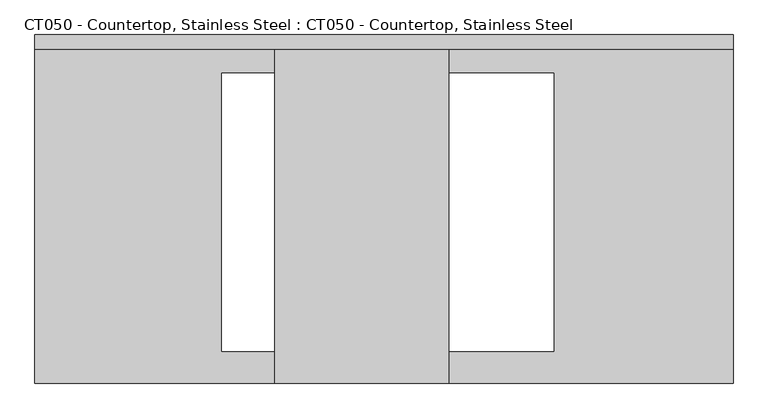
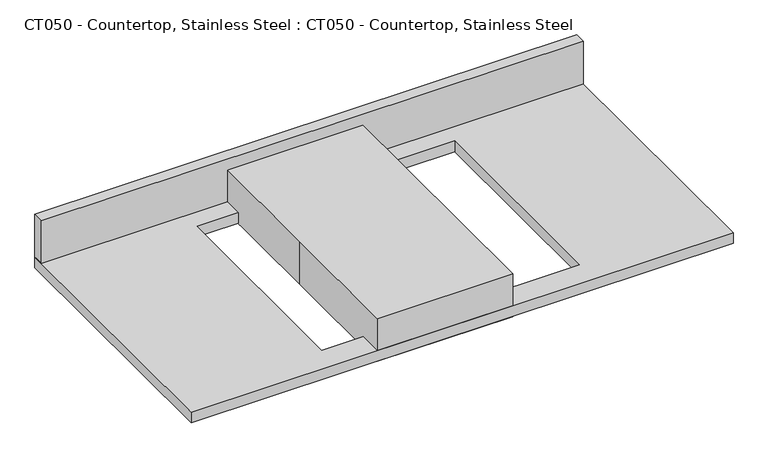
"""IFC4 building model written with IfcOpenShell, lengths in millimetres: proxy geometry, CT050 - Countertop, Stainless Steel : CT050 - Countertop, Stainless Steel."""

import ifcopenshell
import ifcopenshell.guid

model = None  # the IFC model being written
_history = None  # IfcOwnerHistory: only IFC2X3 demands one
_inside = {}  # id of a spatial element -> (the spatial element, [elements in it])
_under = {}  # id of a project, library or spatial element -> (it, [spatial elements below it])
_declared = {}  # id of a project -> (the project, [libraries it declares])
_typed = {}  # id of a type object -> (the type object, [elements of that type])
_made_of = {}  # id of a material, layer set ... -> (it, [elements and type objects made of it])


def new_model(schema):
    """Start an empty IFC model of exactly this schema.

    Asked for "IFC4X3", IfcOpenShell would pick the latest addendum, in which some entities
    have other attributes; the version numbers below select the first issue.
    IFC2X3 requires an IfcOwnerHistory on every rooted entity: one is made here for all.
    """
    global model, _history
    if schema == "IFC4X3":
        model = ifcopenshell.file(schema_version=(4, 3, 0, 0))
    else:
        model = ifcopenshell.file(schema=schema)
    _inside.clear()
    _under.clear()
    _declared.clear()
    _typed.clear()
    _made_of.clear()
    _history = None
    if model.schema == "IFC2X3":
        org = make("IfcOrganization", Name="unknown")
        user = make(
            "IfcPersonAndOrganization",
            ThePerson=make("IfcPerson", FamilyName="unknown"),
            TheOrganization=org,
        )
        app = make(
            "IfcApplication",
            ApplicationDeveloper=org,
            Version="unknown",
            ApplicationFullName="unknown",
            ApplicationIdentifier="unknown",
        )
        _history = make(
            "IfcOwnerHistory",
            OwningUser=user,
            OwningApplication=app,
            ChangeAction="ADDED",
            CreationDate=0,
        )
    return model


def make(cls, **values):
    """One entity of the class cls with the attributes given. An attribute that is None is left unset."""
    return model.create_entity(
        cls, **{name: value for name, value in values.items() if value is not None}
    )


def rooted(cls, **values):
    """An entity with a GlobalId (a new one), such as an element, a storey or a relation."""
    return make(cls, GlobalId=ifcopenshell.guid.new(), OwnerHistory=_history, **values)


def si_unit(unit_type, name, prefix=None):
    """IfcSIUnit, for example si_unit("LENGTHUNIT", "METRE", prefix="MILLI")."""
    return make("IfcSIUnit", UnitType=unit_type, Prefix=prefix, Name=name)


def assignment(units):
    """IfcUnitAssignment: the units of a project."""
    return None if units is None else make("IfcUnitAssignment", Units=units)


def point(xyz):
    """IfcCartesianPoint."""
    return None if xyz is None else make("IfcCartesianPoint", Coordinates=xyz)


def direction(xyz):
    """IfcDirection."""
    return None if xyz is None else make("IfcDirection", DirectionRatios=xyz)


def frame(location, z_axis=None, x_axis=None):
    """IfcAxis2Placement3D, a coordinate frame: its origin and axes. An axis left out is left unset."""
    return make(
        "IfcAxis2Placement3D",
        Location=point(location),
        Axis=direction(z_axis),
        RefDirection=direction(x_axis),
    )


def origin():
    """The frame at (0, 0, 0) with its axes left unset."""
    return frame((0.0, 0.0, 0.0))


def origin_with_axes():
    """The frame at (0, 0, 0) with the z axis (0, 0, 1) and the x axis (1, 0, 0) written out."""
    return frame((0.0, 0.0, 0.0), z_axis=(0.0, 0.0, 1.0), x_axis=(1.0, 0.0, 0.0))


def place(relative_to, where):
    """IfcLocalPlacement: puts the frame where relative to a parent placement (None: the world)."""
    return make(
        "IfcLocalPlacement", PlacementRelTo=relative_to, RelativePlacement=where
    )


def context(
    kind, dimensions, precision=None, world=None, true_north=None, identifier=None
):
    """IfcGeometricRepresentationContext, for example the 3D "Model" context."""
    return make(
        "IfcGeometricRepresentationContext",
        ContextIdentifier=identifier,
        ContextType=kind,
        CoordinateSpaceDimension=dimensions,
        Precision=precision,
        WorldCoordinateSystem=world,
        TrueNorth=true_north,
    )


def project(units=None, contexts=None):
    """IfcProject with its units and contexts."""
    return rooted(
        "IfcProject",
        Name="project",
        RepresentationContexts=contexts,
        UnitsInContext=assignment(units),
    )


def spatial(cls, under=None, at=None, **own):
    """A site, building, storey or space (cls), placed at a placement, below another one or the project."""
    s = rooted(cls, ObjectPlacement=at, **own)
    if under is not None:
        _under.setdefault(under.id(), (under, []))[1].append(s)
    return s


def polyline(points):
    """IfcPolyline through the points."""
    return make("IfcPolyline", Points=[point(p) for p in points])


def outline(outer, holes=None, kind="AREA"):
    """IfcArbitraryClosedProfileDef: a profile drawn as a closed curve; with holes, ...WithVoids."""
    if holes is None:
        return make("IfcArbitraryClosedProfileDef", ProfileType=kind, OuterCurve=outer)
    return make(
        "IfcArbitraryProfileDefWithVoids",
        ProfileType=kind,
        OuterCurve=outer,
        InnerCurves=holes,
    )


def extrude(swept, where, along, depth):
    """IfcExtrudedAreaSolid: the profile swept, set in the frame where, extruded along a direction by depth."""
    return make(
        "IfcExtrudedAreaSolid",
        SweptArea=swept,
        Position=where,
        ExtrudedDirection=direction(along),
        Depth=depth,
    )


def shape(context_of_items, identifier, shape_type, items):
    """IfcShapeRepresentation: the items that make up one representation, for example the "Body"."""
    return make(
        "IfcShapeRepresentation",
        ContextOfItems=context_of_items,
        RepresentationIdentifier=identifier,
        RepresentationType=shape_type,
        Items=items,
    )


def source(mapping_origin, context_of_items, identifier, shape_type, items):
    """IfcRepresentationMap: a shape defined once, which mapped items show again and again."""
    return make(
        "IfcRepresentationMap",
        MappingOrigin=mapping_origin,
        MappedRepresentation=shape(context_of_items, identifier, shape_type, items),
    )


def transform(
    local_origin,
    x_axis=None,
    y_axis=None,
    z_axis=None,
    scale=None,
    scale2=None,
    scale3=None,
    uniform=True,
):
    """IfcCartesianTransformationOperator3D, or its non-uniform kind. x_axis, y_axis, z_axis: its Axis1, 2, 3."""
    if uniform:
        return make(
            "IfcCartesianTransformationOperator3D",
            Axis1=direction(x_axis),
            Axis2=direction(y_axis),
            LocalOrigin=point(local_origin),
            Scale=scale,
            Axis3=direction(z_axis),
        )
    return make(
        "IfcCartesianTransformationOperator3DnonUniform",
        Axis1=direction(x_axis),
        Axis2=direction(y_axis),
        LocalOrigin=point(local_origin),
        Scale=scale,
        Axis3=direction(z_axis),
        Scale2=scale2,
        Scale3=scale3,
    )


def mapped(mapping_source, mapping_target):
    """IfcMappedItem: shows the shape of a source again, moved by a transform."""
    return make(
        "IfcMappedItem", MappingSource=mapping_source, MappingTarget=mapping_target
    )


def made_of(thing, what):
    """Note that an element or type object is made of a material, layer set ...; save() writes the relation."""
    if what is not None:
        _made_of.setdefault(what.id(), (what, []))[1].append(thing)
    return thing


def element(
    cls,
    number,
    at=None,
    inside=None,
    cuts=None,
    type_object=None,
    material=None,
    context=None,
    identifier="Body",
    shape_type=None,
    held_by="IfcProductDefinitionShape",
    body=None,
    shapes=None,
    **own,
):
    """One element of the class cls, such as IfcWall. Its Tag is "e" and its number.

    at: its placement. inside: the storey or other place that contains it. cuts: it is an
    opening in that element (IfcRelVoidsElement). A single representation is given by context,
    identifier, shape_type and body (its items); several are given by shapes. held_by: the class
    of the entity that holds the representations. save() writes the other relations.
    """
    e = rooted(cls, Tag="e%d" % number, ObjectPlacement=at, **own)
    if body is not None:
        shapes = [shape(context, identifier, shape_type, body)]
    if shapes is not None:
        e.Representation = make(held_by, Representations=shapes)
    if inside is not None:
        _inside.setdefault(inside.id(), (inside, []))[1].append(e)
    if cuts is not None:
        rooted(
            "IfcRelVoidsElement", RelatingBuildingElement=cuts, RelatedOpeningElement=e
        )
    if type_object is not None:
        _typed.setdefault(type_object.id(), (type_object, []))[1].append(e)
    return made_of(e, material)


def aggregate(whole, parts):
    """IfcRelAggregates: a whole, such as a stair, and the parts it consists of."""
    return rooted("IfcRelAggregates", RelatingObject=whole, RelatedObjects=parts)


def save(model, path):
    """Write the relations noted so far, then the file.

    IfcRelAggregates (storeys below a building ...), IfcRelContainedInSpatialStructure (elements
    in a storey), IfcRelDefinesByType, IfcRelAssociatesMaterial and IfcRelDeclares: one each for
    every whole, place, type object, material and project.
    """
    for whole, parts in _under.values():
        aggregate(whole, parts)
    for where, things in _inside.values():
        rooted(
            "IfcRelContainedInSpatialStructure",
            RelatedElements=things,
            RelatingStructure=where,
        )
    for kind, things in _typed.values():
        rooted("IfcRelDefinesByType", RelatedObjects=things, RelatingType=kind)
    for what, things in _made_of.values():
        rooted("IfcRelAssociatesMaterial", RelatedObjects=things, RelatingMaterial=what)
    for by, libraries in _declared.values():
        rooted("IfcRelDeclares", RelatingContext=by, RelatedDefinitions=libraries)
    model.write(path)


def ct050_countertop_stainless_steel_ct050_countertop_stainless_ffac5189(model_context):
    return source(origin(), model_context, "Body", "SweptSolid", [
        extrude(outline(polyline([(649.2875, 304.8), (649.2875, -304.8), (-571.5, -304.8), (-571.5, 304.8), (649.2875, 304.8)]), holes=[polyline([(335.2872701, 237.3771761), (-245.1565627, 237.3771761), (-245.1565627, -249.3181134), (335.2872701, -249.3181134), (335.2872701, 237.3771761)])]), origin_with_axes(), (0.0, 0.0, 1.0), 25.4),
        extrude(outline(polyline([(-571.5, 279.4), (-571.5, 304.8), (649.2875, 304.8), (649.2875, 279.4), (-571.5, 279.4)])), frame((0.0, 0.0, 25.4), z_axis=(0.0, 0.0, 1.0), x_axis=(1.0, 0.0, 0.0)), (0.0, 0.0, 1.0), 101.6),
        extrude(outline(polyline([(-152.4, 304.8), (152.4, 304.8), (152.4, -304.8), (-152.4, -304.8), (-152.4, 0.0), (-152.4, 304.8)])), origin_with_axes(), (0.0, 0.0, 1.0), 101.6),
    ])


if __name__ == "__main__":
    model = new_model("IFC4")
    model_context = context("Model", 3, world=origin())
    ifc_project = project(units=[si_unit("LENGTHUNIT", "METRE", prefix="MILLI")], contexts=[model_context])
    site = spatial("IfcSite", under=ifc_project)
    building = spatial("IfcBuilding", under=site)
    placement = place(None, origin())
    ct050_countertop_stainless_steel_ct050_countertop_stainless_shape = ct050_countertop_stainless_steel_ct050_countertop_stainless_ffac5189(model_context)
    element("IfcBuildingElementProxy", 1, Name="CT050 - Countertop, Stainless Steel : CT050 - Countertop, Stainless Steel", ObjectType="CT050 - Countertop, Stainless Steel : CT050 - Countertop, Stainless Steel", at=placement, inside=building, context=model_context, shape_type="MappedRepresentation", body=[
        mapped(ct050_countertop_stainless_steel_ct050_countertop_stainless_shape, transform((0.0, 0.0, 0.0), x_axis=(1.0, 0.0, 0.0), y_axis=(0.0, 1.0, 0.0), z_axis=(0.0, 0.0, 1.0))),
    ])
    save(model, "model.ifc")
